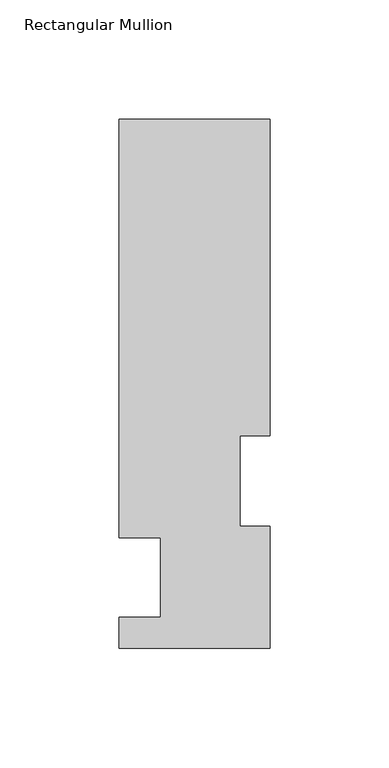
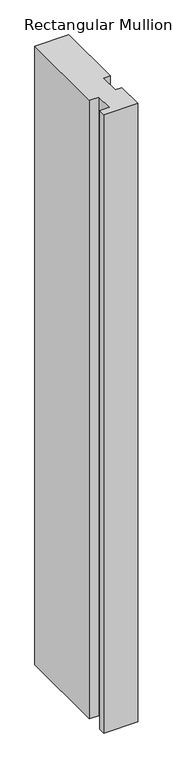
"""IFC4 building model written with IfcOpenShell, lengths in millimetres: member geometry, Rectangular Mullion."""

from ifc_helpers import new_model, si_unit, frame, origin, place, context, project, spatial, polyline, outline, extrude, source, transform, mapped, element, save


def rectangular_mullion_3ea64a74(model_context):
    return source(origin(), model_context, "Body", "SweptSolid", [
        extrude(outline(polyline([(-31.7500002, 222.5381313), (31.7499998, 222.5381313), (31.7499998, 89.5945313), (19.0500002, 89.5945313), (19.0500002, 51.4945313), (31.7500002, 51.4945313), (31.7500002, 0.2119314), (-31.7499998, 0.2119314), (-31.7499998, 13.3945314), (-14.2747998, 13.3945314), (-14.2747998, 46.7447312), (-31.7500002, 46.7447312), (-31.7500002, 222.5381313)])), frame((0.0, 0.0, -1219.2), z_axis=(0.0, 0.0, 1.0), x_axis=(1.0, 0.0, 0.0)), (0.0, 0.0, 1.0), 1219.2),
    ])


if __name__ == "__main__":
    model = new_model("IFC4")
    model_context = context("Model", 3, world=origin())
    ifc_project = project(units=[si_unit("LENGTHUNIT", "METRE", prefix="MILLI")], contexts=[model_context])
    site = spatial("IfcSite", under=ifc_project)
    building = spatial("IfcBuilding", under=site)
    placement = place(None, origin())
    rectangular_mullion_shape = rectangular_mullion_3ea64a74(model_context)
    element("IfcMember", 1, ObjectType="Rectangular Mullion", at=placement, inside=building, context=model_context, shape_type="MappedRepresentation", body=[
        mapped(rectangular_mullion_shape, transform((0.0, 0.0, 0.0), x_axis=(1.0, 0.0, 0.0), y_axis=(0.0, 1.0, 0.0), z_axis=(0.0, 0.0, 1.0))),
    ])
    save(model, "model.ifc")
